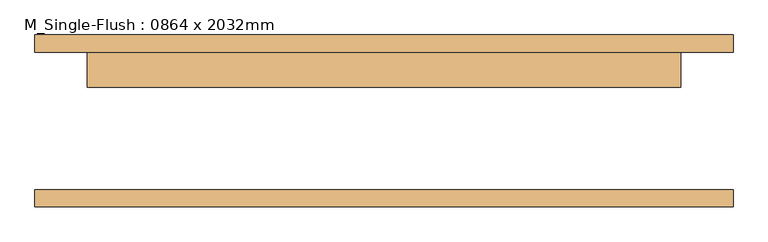
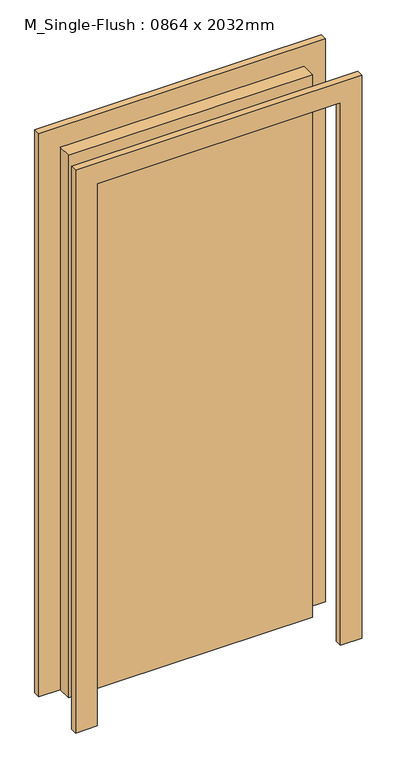
"""IFC4 building model written with IfcOpenShell, lengths in millimetres: door geometry, M_Single-Flush : 0864 x 2032mm."""

from ifc_helpers import new_model, si_unit, frame, origin, origin_with_axes, place, context, project, spatial, polyline, outline, extrude, source, transform, mapped, element, save


def m_single_flush_0864_x_2032mm_aeff3166(model_context):
    return source(origin(), model_context, "Body", "SweptSolid", [
        extrude(outline(polyline([(2108.0, -508.0), (0.0, -508.0), (0.0, -432.0), (2032.0, -432.0), (2032.0, 432.0), (0.0, 432.0), (0.0, 508.0), (2108.0, 508.0), (2108.0, -508.0)])), frame((0.0, 100.0, 0.0), z_axis=(0.0, 1.0, 0.0), x_axis=(0.0, 0.0, 1.0)), (0.0, 0.0, 1.0), 25.0),
        extrude(outline(polyline([(2108.0, 508.0), (2108.0, -508.0), (0.0, -508.0), (0.0, -432.0), (2032.0, -432.0), (2032.0, 432.0), (0.0, 432.0), (0.0, 508.0), (2108.0, 508.0)])), frame((0.0, -125.0, 0.0), z_axis=(0.0, 1.0, 0.0), x_axis=(0.0, 0.0, 1.0)), (0.0, 0.0, 1.0), 25.0),
        extrude(outline(polyline([(432.0, 49.0), (-432.0, 49.0), (-432.0, 100.0), (432.0, 100.0), (432.0, 49.0)])), origin_with_axes(), (0.0, 0.0, 1.0), 2032.0),
    ])


if __name__ == "__main__":
    model = new_model("IFC4")
    model_context = context("Model", 3, world=origin())
    ifc_project = project(units=[si_unit("LENGTHUNIT", "METRE", prefix="MILLI")], contexts=[model_context])
    site = spatial("IfcSite", under=ifc_project)
    building = spatial("IfcBuilding", under=site)
    placement = place(None, origin())
    m_single_flush_0864_x_2032mm_shape = m_single_flush_0864_x_2032mm_aeff3166(model_context)
    element("IfcDoor", 1, ObjectType="M_Single-Flush : 0864 x 2032mm", at=placement, inside=building, context=model_context, shape_type="MappedRepresentation", body=[
        mapped(m_single_flush_0864_x_2032mm_shape, transform((0.0, 0.0, 0.0), x_axis=(1.0, 0.0, 0.0), y_axis=(0.0, 1.0, 0.0), z_axis=(0.0, 0.0, 1.0))),
    ])
    save(model, "model.ifc")
